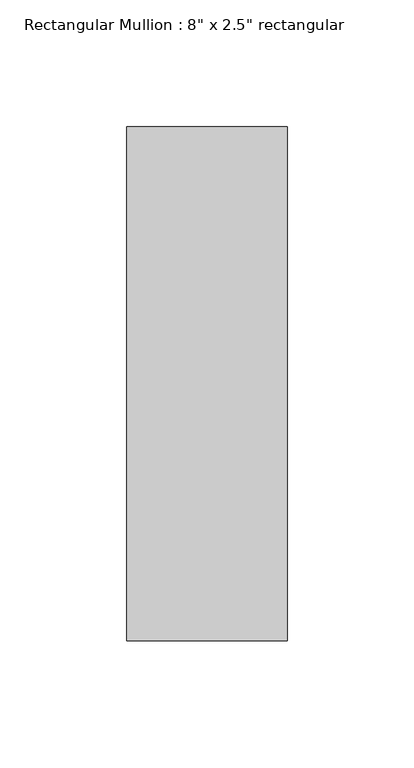
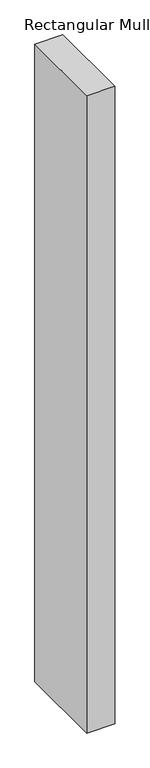
"""IFC4 building model written with IfcOpenShell, lengths in millimetres: member geometry."""

import ifcopenshell
import ifcopenshell.guid

model = None  # the IFC model being written
_history = None  # IfcOwnerHistory: only IFC2X3 demands one
_inside = {}  # id of a spatial element -> (the spatial element, [elements in it])
_under = {}  # id of a project, library or spatial element -> (it, [spatial elements below it])
_declared = {}  # id of a project -> (the project, [libraries it declares])
_typed = {}  # id of a type object -> (the type object, [elements of that type])
_made_of = {}  # id of a material, layer set ... -> (it, [elements and type objects made of it])


def new_model(schema):
    """Start an empty IFC model of exactly this schema.

    Asked for "IFC4X3", IfcOpenShell would pick the latest addendum, in which some entities
    have other attributes; the version numbers below select the first issue.
    IFC2X3 requires an IfcOwnerHistory on every rooted entity: one is made here for all.
    """
    global model, _history
    if schema == "IFC4X3":
        model = ifcopenshell.file(schema_version=(4, 3, 0, 0))
    else:
        model = ifcopenshell.file(schema=schema)
    _inside.clear()
    _under.clear()
    _declared.clear()
    _typed.clear()
    _made_of.clear()
    _history = None
    if model.schema == "IFC2X3":
        org = make("IfcOrganization", Name="unknown")
        user = make(
            "IfcPersonAndOrganization",
            ThePerson=make("IfcPerson", FamilyName="unknown"),
            TheOrganization=org,
        )
        app = make(
            "IfcApplication",
            ApplicationDeveloper=org,
            Version="unknown",
            ApplicationFullName="unknown",
            ApplicationIdentifier="unknown",
        )
        _history = make(
            "IfcOwnerHistory",
            OwningUser=user,
            OwningApplication=app,
            ChangeAction="ADDED",
            CreationDate=0,
        )
    return model


def make(cls, **values):
    """One entity of the class cls with the attributes given. An attribute that is None is left unset."""
    return model.create_entity(
        cls, **{name: value for name, value in values.items() if value is not None}
    )


def rooted(cls, **values):
    """An entity with a GlobalId (a new one), such as an element, a storey or a relation."""
    return make(cls, GlobalId=ifcopenshell.guid.new(), OwnerHistory=_history, **values)


def si_unit(unit_type, name, prefix=None):
    """IfcSIUnit, for example si_unit("LENGTHUNIT", "METRE", prefix="MILLI")."""
    return make("IfcSIUnit", UnitType=unit_type, Prefix=prefix, Name=name)


def assignment(units):
    """IfcUnitAssignment: the units of a project."""
    return None if units is None else make("IfcUnitAssignment", Units=units)


def point(xyz):
    """IfcCartesianPoint."""
    return None if xyz is None else make("IfcCartesianPoint", Coordinates=xyz)


def direction(xyz):
    """IfcDirection."""
    return None if xyz is None else make("IfcDirection", DirectionRatios=xyz)


def frame(location, z_axis=None, x_axis=None):
    """IfcAxis2Placement3D, a coordinate frame: its origin and axes. An axis left out is left unset."""
    return make(
        "IfcAxis2Placement3D",
        Location=point(location),
        Axis=direction(z_axis),
        RefDirection=direction(x_axis),
    )


def origin():
    """The frame at (0, 0, 0) with its axes left unset."""
    return frame((0.0, 0.0, 0.0))


def place(relative_to, where):
    """IfcLocalPlacement: puts the frame where relative to a parent placement (None: the world)."""
    return make(
        "IfcLocalPlacement", PlacementRelTo=relative_to, RelativePlacement=where
    )


def context(
    kind, dimensions, precision=None, world=None, true_north=None, identifier=None
):
    """IfcGeometricRepresentationContext, for example the 3D "Model" context."""
    return make(
        "IfcGeometricRepresentationContext",
        ContextIdentifier=identifier,
        ContextType=kind,
        CoordinateSpaceDimension=dimensions,
        Precision=precision,
        WorldCoordinateSystem=world,
        TrueNorth=true_north,
    )


def project(units=None, contexts=None):
    """IfcProject with its units and contexts."""
    return rooted(
        "IfcProject",
        Name="project",
        RepresentationContexts=contexts,
        UnitsInContext=assignment(units),
    )


def spatial(cls, under=None, at=None, **own):
    """A site, building, storey or space (cls), placed at a placement, below another one or the project."""
    s = rooted(cls, ObjectPlacement=at, **own)
    if under is not None:
        _under.setdefault(under.id(), (under, []))[1].append(s)
    return s


def polyline(points):
    """IfcPolyline through the points."""
    return make("IfcPolyline", Points=[point(p) for p in points])


def outline(outer, holes=None, kind="AREA"):
    """IfcArbitraryClosedProfileDef: a profile drawn as a closed curve; with holes, ...WithVoids."""
    if holes is None:
        return make("IfcArbitraryClosedProfileDef", ProfileType=kind, OuterCurve=outer)
    return make(
        "IfcArbitraryProfileDefWithVoids",
        ProfileType=kind,
        OuterCurve=outer,
        InnerCurves=holes,
    )


def extrude(swept, where, along, depth):
    """IfcExtrudedAreaSolid: the profile swept, set in the frame where, extruded along a direction by depth."""
    return make(
        "IfcExtrudedAreaSolid",
        SweptArea=swept,
        Position=where,
        ExtrudedDirection=direction(along),
        Depth=depth,
    )


def shape(context_of_items, identifier, shape_type, items):
    """IfcShapeRepresentation: the items that make up one representation, for example the "Body"."""
    return make(
        "IfcShapeRepresentation",
        ContextOfItems=context_of_items,
        RepresentationIdentifier=identifier,
        RepresentationType=shape_type,
        Items=items,
    )


def source(mapping_origin, context_of_items, identifier, shape_type, items):
    """IfcRepresentationMap: a shape defined once, which mapped items show again and again."""
    return make(
        "IfcRepresentationMap",
        MappingOrigin=mapping_origin,
        MappedRepresentation=shape(context_of_items, identifier, shape_type, items),
    )


def transform(
    local_origin,
    x_axis=None,
    y_axis=None,
    z_axis=None,
    scale=None,
    scale2=None,
    scale3=None,
    uniform=True,
):
    """IfcCartesianTransformationOperator3D, or its non-uniform kind. x_axis, y_axis, z_axis: its Axis1, 2, 3."""
    if uniform:
        return make(
            "IfcCartesianTransformationOperator3D",
            Axis1=direction(x_axis),
            Axis2=direction(y_axis),
            LocalOrigin=point(local_origin),
            Scale=scale,
            Axis3=direction(z_axis),
        )
    return make(
        "IfcCartesianTransformationOperator3DnonUniform",
        Axis1=direction(x_axis),
        Axis2=direction(y_axis),
        LocalOrigin=point(local_origin),
        Scale=scale,
        Axis3=direction(z_axis),
        Scale2=scale2,
        Scale3=scale3,
    )


def mapped(mapping_source, mapping_target):
    """IfcMappedItem: shows the shape of a source again, moved by a transform."""
    return make(
        "IfcMappedItem", MappingSource=mapping_source, MappingTarget=mapping_target
    )


def made_of(thing, what):
    """Note that an element or type object is made of a material, layer set ...; save() writes the relation."""
    if what is not None:
        _made_of.setdefault(what.id(), (what, []))[1].append(thing)
    return thing


def element(
    cls,
    number,
    at=None,
    inside=None,
    cuts=None,
    type_object=None,
    material=None,
    context=None,
    identifier="Body",
    shape_type=None,
    held_by="IfcProductDefinitionShape",
    body=None,
    shapes=None,
    **own,
):
    """One element of the class cls, such as IfcWall. Its Tag is "e" and its number.

    at: its placement. inside: the storey or other place that contains it. cuts: it is an
    opening in that element (IfcRelVoidsElement). A single representation is given by context,
    identifier, shape_type and body (its items); several are given by shapes. held_by: the class
    of the entity that holds the representations. save() writes the other relations.
    """
    e = rooted(cls, Tag="e%d" % number, ObjectPlacement=at, **own)
    if body is not None:
        shapes = [shape(context, identifier, shape_type, body)]
    if shapes is not None:
        e.Representation = make(held_by, Representations=shapes)
    if inside is not None:
        _inside.setdefault(inside.id(), (inside, []))[1].append(e)
    if cuts is not None:
        rooted(
            "IfcRelVoidsElement", RelatingBuildingElement=cuts, RelatedOpeningElement=e
        )
    if type_object is not None:
        _typed.setdefault(type_object.id(), (type_object, []))[1].append(e)
    return made_of(e, material)


def aggregate(whole, parts):
    """IfcRelAggregates: a whole, such as a stair, and the parts it consists of."""
    return rooted("IfcRelAggregates", RelatingObject=whole, RelatedObjects=parts)


def save(model, path):
    """Write the relations noted so far, then the file.

    IfcRelAggregates (storeys below a building ...), IfcRelContainedInSpatialStructure (elements
    in a storey), IfcRelDefinesByType, IfcRelAssociatesMaterial and IfcRelDeclares: one each for
    every whole, place, type object, material and project.
    """
    for whole, parts in _under.values():
        aggregate(whole, parts)
    for where, things in _inside.values():
        rooted(
            "IfcRelContainedInSpatialStructure",
            RelatedElements=things,
            RelatingStructure=where,
        )
    for kind, things in _typed.values():
        rooted("IfcRelDefinesByType", RelatedObjects=things, RelatingType=kind)
    for what, things in _made_of.values():
        rooted("IfcRelAssociatesMaterial", RelatedObjects=things, RelatingMaterial=what)
    for by, libraries in _declared.values():
        rooted("IfcRelDeclares", RelatingContext=by, RelatedDefinitions=libraries)
    model.write(path)


def member_1a13f0b8(model_context):
    return source(origin(), model_context, "Body", "SweptSolid", [
        extrude(outline(polyline([(0.0, 88.9), (0.0, -114.3), (-63.5, -114.3), (-63.5, 88.9), (0.0, 88.9)])), frame((0.0, 0.0, -1524.0), z_axis=(0.0, 0.0, 1.0), x_axis=(1.0, 0.0, 0.0)), (0.0, 0.0, 1.0), 1524.0),
    ])


if __name__ == "__main__":
    model = new_model("IFC4")
    model_context = context("Model", 3, world=origin())
    ifc_project = project(units=[si_unit("LENGTHUNIT", "METRE", prefix="MILLI")], contexts=[model_context])
    site = spatial("IfcSite", under=ifc_project)
    building = spatial("IfcBuilding", under=site)
    placement = place(None, origin())
    member_shape = member_1a13f0b8(model_context)
    element("IfcMember", 1, ObjectType="Rectangular Mullion : 8\" x 2.5\" rectangular", at=placement, inside=building, context=model_context, shape_type="MappedRepresentation", body=[
        mapped(member_shape, transform((0.0, 0.0, 0.0), x_axis=(1.0, 0.0, 0.0), y_axis=(0.0, 1.0, 0.0), z_axis=(0.0, 0.0, 1.0))),
    ])
    save(model, "model.ifc")
